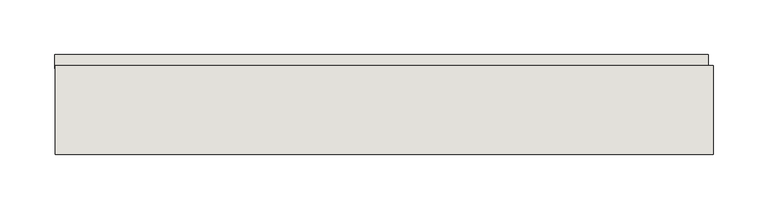
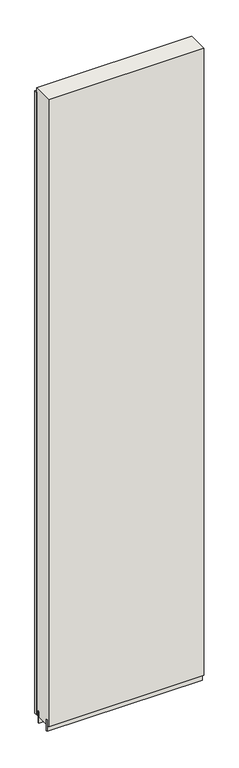
"""IFC4 building model written with IfcOpenShell, lengths in millimetres: wall geometry."""

from ifc_helpers import new_model, si_unit, frame, origin, place, context, project, spatial, polyline, outline, extrude, source, transform, mapped, element, save


def wall_f12274db(model_context):
    return source(origin(), model_context, "Body", "SweptSolid", [
        extrude(outline(polyline([(53897.508918, -44700.2036398), (53894.968918, -44700.2036398), (53894.968918, -44697.6636398), (53897.508918, -44697.6636398), (53897.508918, -44700.2036398)])), frame((0.0, 0.0, 4419.6), z_axis=(0.0, 0.0, 1.0), x_axis=(1.0, 0.0, 0.0)), (0.0, 0.0, 1.0), 2.54),
        extrude(outline(polyline([(53296.44408, -44648.1336398), (53893.0442076, -44648.1336398), (53893.0442076, -44660.8336398), (53296.44408, -44660.8336398), (53296.44408, -44648.1336398)])), frame((0.0, 0.0, 4445.0), z_axis=(0.0, 0.0, 1.0), x_axis=(1.0, 0.0, 0.0)), (0.0, 0.0, 1.0), 2545.0498756),
        extrude(outline(polyline([(53897.503965, -44673.8498952), (53296.8956666, -44673.8498952), (53296.8956666, -44668.7711398), (53897.503965, -44668.7711398), (53897.503965, -44673.8498952)])), frame((0.0, 0.0, 4418.6602), z_axis=(0.0, 0.0, 1.0), x_axis=(1.0, 0.0, 0.0)), (0.0, 0.0, 1.0), 47.625),
        extrude(outline(polyline([(53897.503965, -44673.8498952), (53296.8956666, -44673.8498952), (53296.8956666, -44668.7711398), (53897.503965, -44668.7711398), (53897.503965, -44673.8498952)])), frame((0.0, 0.0, 4418.6602), z_axis=(0.0, 0.0, 1.0), x_axis=(1.0, 0.0, 0.0)), (0.0, 0.0, 1.0), 47.625),
        extrude(outline(polyline([(53296.8956666, -44724.0142856), (53897.503965, -44724.0142856), (53897.503965, -44729.0961398), (53296.8956666, -44729.0961398), (53296.8956666, -44724.0142856)])), frame((0.0, 0.0, 4418.6602), z_axis=(0.0, 0.0, 1.0), x_axis=(1.0, 0.0, 0.0)), (0.0, 0.0, 1.0), 47.625),
        extrude(outline(polyline([(53296.8956666, -44724.0142856), (53897.503965, -44724.0142856), (53897.503965, -44729.0961398), (53296.8956666, -44729.0961398), (53296.8956666, -44724.0142856)])), frame((0.0, 0.0, 4418.6602), z_axis=(0.0, 0.0, 1.0), x_axis=(1.0, 0.0, 0.0)), (0.0, 0.0, 1.0), 47.625),
        extrude(outline(polyline([(53897.503965, -44658.30667), (53897.503965, -44739.5854254), (53296.8956666, -44739.5854254), (53296.8956666, -44658.30667), (53897.503965, -44658.30667)])), frame((0.0, 0.0, 4445.0), z_axis=(0.0, 0.0, 1.0), x_axis=(1.0, 0.0, 0.0)), (0.0, 0.0, 1.0), 2562.4536762),
    ])


if __name__ == "__main__":
    model = new_model("IFC4")
    model_context = context("Model", 3, world=origin())
    ifc_project = project(units=[si_unit("LENGTHUNIT", "METRE", prefix="MILLI")], contexts=[model_context])
    site = spatial("IfcSite", under=ifc_project)
    building = spatial("IfcBuilding", under=site)
    placement = place(None, origin())
    wall_shape = wall_f12274db(model_context)
    element("IfcWall", 1, at=placement, inside=building, context=model_context, shape_type="MappedRepresentation", body=[
        mapped(wall_shape, transform((0.0, 0.0, 0.0), x_axis=(1.0, 0.0, 0.0), y_axis=(0.0, 1.0, 0.0), z_axis=(0.0, 0.0, 1.0))),
    ])
    save(model, "model.ifc")
